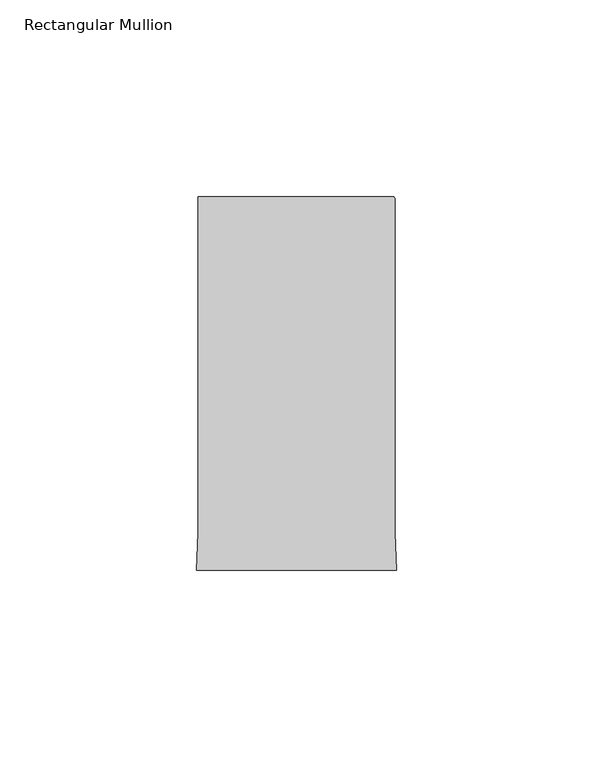
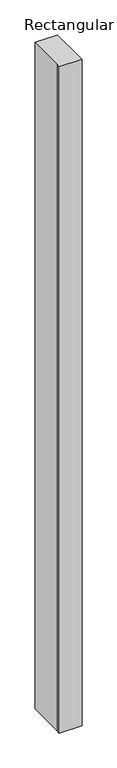
"""IFC4 building model written with IfcOpenShell, lengths in millimetres: member geometry, Rectangular Mullion."""

from ifc_helpers import new_model, si_unit, point, frame, frame_2d, origin, place, context, project, spatial, polyline, circle_curve, trimmed, segment, composite_curve, outline, extrude, source, transform, mapped, element, save


def rectangular_mullion_ddb63bd5(model_context):
    return source(origin(), model_context, "Body", "SweptSolid", [
        extrude(outline(composite_curve([segment(polyline([(-25.0000004, 108.995434), (24.4999996, 108.995434)]), True, "CONTINUOUS"), segment(trimmed(circle_curve(frame_2d((24.4999996, 108.495434)), 0.5), [point((24.4999996, 108.995434))], [point((24.9999996, 108.495434))], False, "CARTESIAN"), True, "CONTINUOUS"), segment(polyline([(24.9999996, 108.495434), (24.9999996, 23.4857005), (25.4480462, 14.0), (-25.448047, 14.0), (-25.0000004, 23.4857005), (-25.0000004, 108.995434)]), True, "CONTINUOUS")], self_intersect=False)), frame((0.0, 0.0, -1573.4761827), z_axis=(0.0, 0.0, 1.0), x_axis=(1.0, 0.0, 0.0)), (0.0, 0.0, 1.0), 1573.4761827),
    ])


if __name__ == "__main__":
    model = new_model("IFC4")
    model_context = context("Model", 3, world=origin())
    ifc_project = project(units=[si_unit("LENGTHUNIT", "METRE", prefix="MILLI")], contexts=[model_context])
    site = spatial("IfcSite", under=ifc_project)
    building = spatial("IfcBuilding", under=site)
    placement = place(None, origin())
    rectangular_mullion_shape = rectangular_mullion_ddb63bd5(model_context)
    element("IfcMember", 1, ObjectType="Rectangular Mullion", at=placement, inside=building, context=model_context, shape_type="MappedRepresentation", body=[
        mapped(rectangular_mullion_shape, transform((0.0, 0.0, 0.0), x_axis=(1.0, 0.0, 0.0), y_axis=(0.0, 1.0, 0.0), z_axis=(0.0, 0.0, 1.0))),
    ])
    save(model, "model.ifc")
